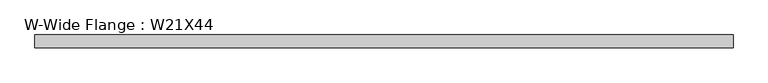
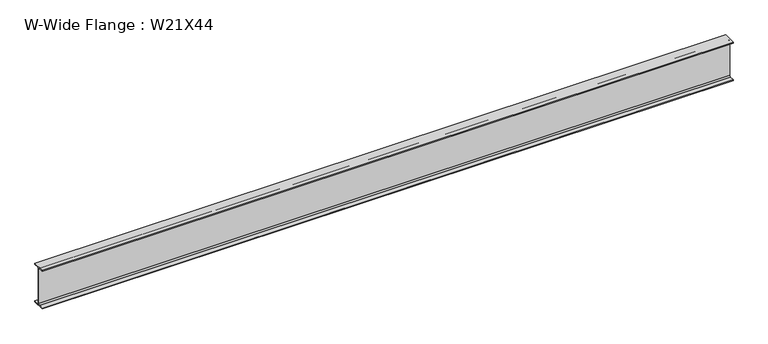
"""IFC4 building model written with IfcOpenShell, lengths in millimetres: beam geometry, W-Wide Flange : W21X44."""

from ifc_helpers import new_model, si_unit, point, frame, frame_2d, origin, place, context, project, spatial, polyline, circle_curve, trimmed, segment, composite_curve, outline, extrude, source, transform, mapped, element, save


def w_wide_flange_w21x44_7e69561c(model_context):
    return source(origin(), model_context, "Body", "SweptSolid", [
        extrude(outline(composite_curve([segment(polyline([(82.55, -251.4699219), (82.55, -262.8800781), (-82.55, -262.8800781), (-82.55, -251.4699219), (-21.6296875, -251.4699219)]), True, "CONTINUOUS"), segment(trimmed(circle_curve(frame_2d((-21.6296875, -234.3050781)), 17.1648437), [point((-21.6296875, -251.4699219))], [point((-4.4648438, -234.3050781))], True, "CARTESIAN"), True, "CONTINUOUS"), segment(polyline([(-4.4648438, -234.3050781), (-4.4648438, 234.3050781)]), True, "CONTINUOUS"), segment(trimmed(circle_curve(frame_2d((-21.6296875, 234.3050781)), 17.1648437), [point((-4.4648438, 234.3050781))], [point((-21.6296875, 251.4699219))], True, "CARTESIAN"), True, "CONTINUOUS"), segment(polyline([(-21.6296875, 251.4699219), (-82.55, 251.4699219), (-82.55, 262.8800781), (82.55, 262.8800781), (82.55, 251.4699219), (21.6296875, 251.4699219)]), True, "CONTINUOUS"), segment(trimmed(circle_curve(frame_2d((21.6296875, 234.3050781)), 17.1648437), [point((21.6296875, 251.4699219))], [point((4.4648437, 234.3050781))], True, "CARTESIAN"), True, "CONTINUOUS"), segment(polyline([(4.4648437, 234.3050781), (4.4648437, -234.3050781)]), True, "CONTINUOUS"), segment(trimmed(circle_curve(frame_2d((21.6296875, -234.3050781)), 17.1648437), [point((4.4648437, -234.3050781))], [point((21.6296875, -251.4699219))], True, "CARTESIAN"), True, "CONTINUOUS"), segment(polyline([(21.6296875, -251.4699219), (82.55, -251.4699219)]), True, "CONTINUOUS")], self_intersect=False)), frame((-4476.0058594, 0.0, 0.0), z_axis=(1.0, 0.0, 0.0), x_axis=(0.0, 1.0, 0.0)), (0.0, 0.0, 1.0), 8930.2828125),
    ])


if __name__ == "__main__":
    model = new_model("IFC4")
    model_context = context("Model", 3, world=origin())
    ifc_project = project(units=[si_unit("LENGTHUNIT", "METRE", prefix="MILLI")], contexts=[model_context])
    site = spatial("IfcSite", under=ifc_project)
    building = spatial("IfcBuilding", under=site)
    placement = place(None, origin())
    w_wide_flange_w21x44_shape = w_wide_flange_w21x44_7e69561c(model_context)
    element("IfcBeam", 1, ObjectType="W-Wide Flange : W21X44", at=placement, inside=building, context=model_context, shape_type="MappedRepresentation", body=[
        mapped(w_wide_flange_w21x44_shape, transform((0.0, 0.0, 0.0), x_axis=(1.0, 0.0, 0.0), y_axis=(0.0, 1.0, 0.0), z_axis=(0.0, 0.0, 1.0))),
    ])
    save(model, "model.ifc")
